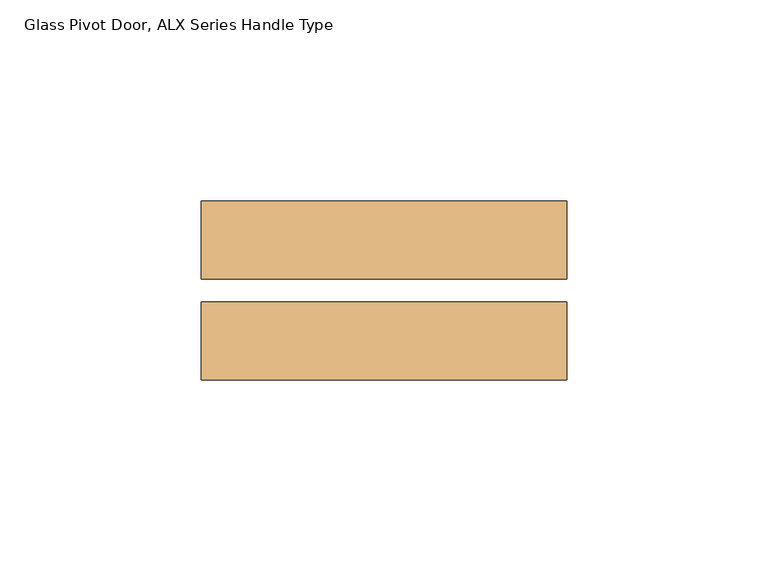
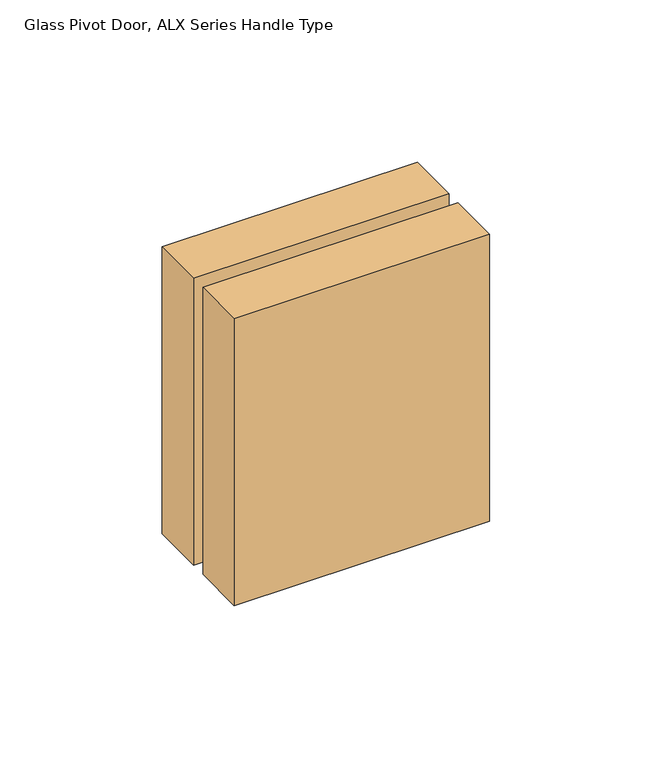
"""IFC4 building model written with IfcOpenShell, lengths in millimetres: door geometry, Glass Pivot Door, ALX Series Handle Type."""

from ifc_helpers import new_model, si_unit, frame, origin, place, context, project, spatial, polyline, outline, extrude, source, transform, mapped, element, save


def glass_pivot_door_alx_series_handle_type_3bc0351c(model_context):
    return source(origin(), model_context, "Body", "SweptSolid", [
        extrude(outline(polyline([(-371.475, -49.2748545), (-462.28, -49.2748545), (-462.28, -29.9073545), (-371.475, -29.9073545), (-371.475, -49.2748545)])), frame((0.0, 0.0, 954.1764), z_axis=(0.0, 0.0, 1.0), x_axis=(1.0, 0.0, 0.0)), (0.0, 0.0, 1.0), 107.95),
        extrude(outline(polyline([(-371.475, -24.1923545), (-462.28, -24.1923545), (-462.28, -4.8248545), (-371.475, -4.8248545), (-371.475, -24.1923545)])), frame((0.0, 0.0, 954.1764), z_axis=(0.0, 0.0, 1.0), x_axis=(1.0, 0.0, 0.0)), (0.0, 0.0, 1.0), 107.95),
    ])


if __name__ == "__main__":
    model = new_model("IFC4")
    model_context = context("Model", 3, world=origin())
    ifc_project = project(units=[si_unit("LENGTHUNIT", "METRE", prefix="MILLI")], contexts=[model_context])
    site = spatial("IfcSite", under=ifc_project)
    building = spatial("IfcBuilding", under=site)
    placement = place(None, origin())
    glass_pivot_door_alx_series_handle_type_shape = glass_pivot_door_alx_series_handle_type_3bc0351c(model_context)
    element("IfcDoor", 1, ObjectType="Glass Pivot Door, ALX Series Handle Type", at=placement, inside=building, context=model_context, shape_type="MappedRepresentation", body=[
        mapped(glass_pivot_door_alx_series_handle_type_shape, transform((0.0, 0.0, 0.0), x_axis=(1.0, 0.0, 0.0), y_axis=(0.0, 1.0, 0.0), z_axis=(0.0, 0.0, 1.0))),
    ])
    save(model, "model.ifc")
